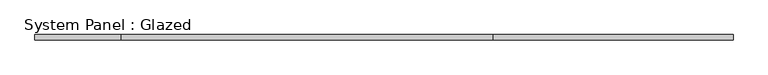
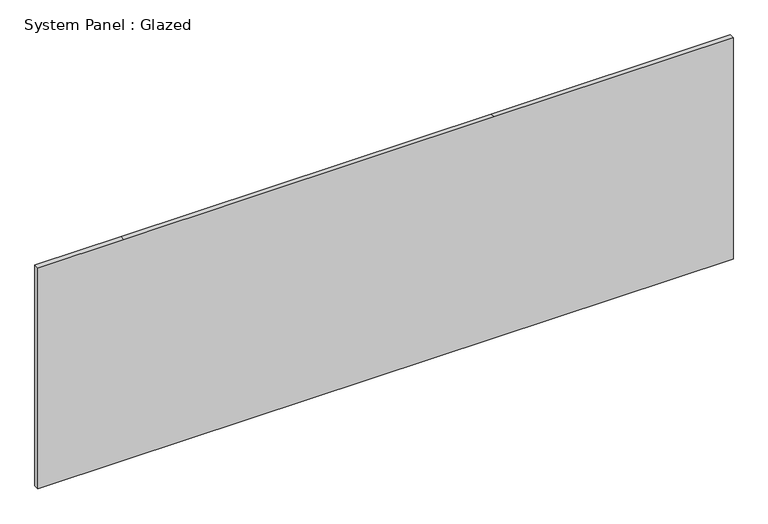
"""IFC4 building model written with IfcOpenShell, lengths in millimetres: plate geometry, System Panel : Glazed."""

from ifc_helpers import new_model, si_unit, frame, origin, place, context, project, spatial, polyline, outline, extrude, source, transform, mapped, element, save


def system_panel_glazed_a267f900(model_context):
    return source(origin(), model_context, "Body", "SweptSolid", [
        extrude(outline(polyline([(0.0, -1717.4825378), (0.0, -1292.0325378), (0.0, 536.7674622), (0.0, 1717.4825378), (1155.7, 1717.4825378), (1155.7, 536.7674622), (1155.7, -1292.0325378), (1155.7, -1717.4825378), (0.0, -1717.4825378)])), frame((0.0, 19.05, 0.0), z_axis=(0.0, 1.0, 0.0), x_axis=(0.0, 0.0, 1.0)), (0.0, 0.0, 1.0), 25.4),
    ])


if __name__ == "__main__":
    model = new_model("IFC4")
    model_context = context("Model", 3, world=origin())
    ifc_project = project(units=[si_unit("LENGTHUNIT", "METRE", prefix="MILLI")], contexts=[model_context])
    site = spatial("IfcSite", under=ifc_project)
    building = spatial("IfcBuilding", under=site)
    placement = place(None, origin())
    system_panel_glazed_shape = system_panel_glazed_a267f900(model_context)
    element("IfcPlate", 1, ObjectType="System Panel : Glazed", at=placement, inside=building, context=model_context, shape_type="MappedRepresentation", body=[
        mapped(system_panel_glazed_shape, transform((0.0, 0.0, 0.0), x_axis=(1.0, 0.0, 0.0), y_axis=(0.0, 1.0, 0.0), z_axis=(0.0, 0.0, 1.0))),
    ])
    save(model, "model.ifc")
